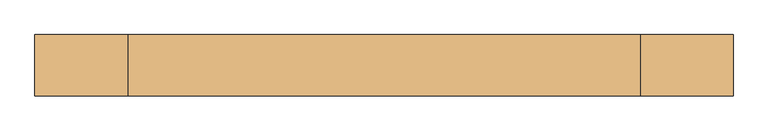
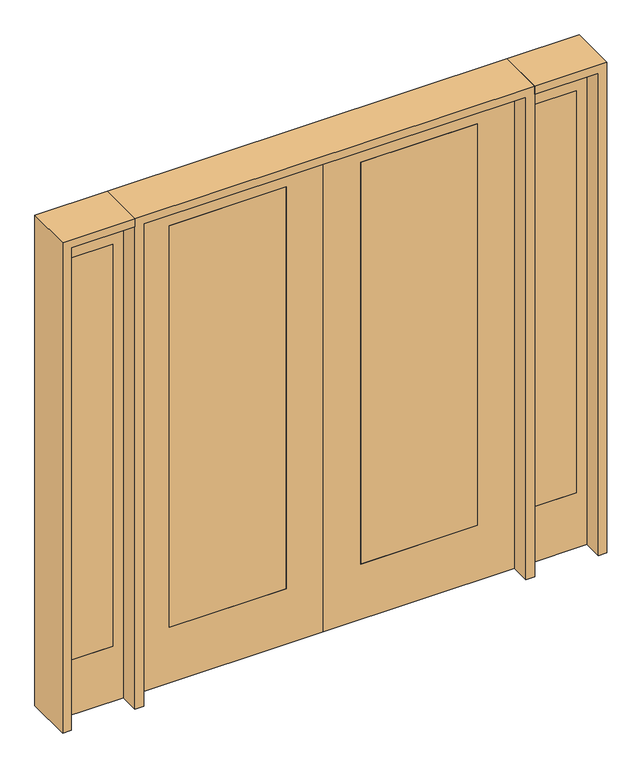
"""IFC4 building model written with IfcOpenShell, lengths in millimetres: door geometry."""

from ifc_helpers import new_model, si_unit, frame, origin, place, context, project, spatial, polyline, outline, extrude, source, transform, mapped, element, save


def door_235b20d6(model_context):
    return source(origin(), model_context, "Body", "SweptSolid", [
        extrude(outline(polyline([(1209.675, 20.6375), (1209.675, -20.6375), (1006.475, -20.6375), (1006.475, 20.6375), (1209.675, 20.6375)])), frame((0.0, 0.0, 279.4), z_axis=(0.0, 0.0, 1.0), x_axis=(1.0, 0.0, 0.0)), (0.0, 0.0, 1.0), 2032.0),
        extrude(outline(polyline([(0.0, 955.675), (0.0, 1260.475), (2438.4, 1260.475), (2438.4, 955.675), (0.0, 955.675)]), holes=[polyline([(2311.4, 1209.675), (279.4, 1209.675), (279.4, 1006.475), (2311.4, 1006.475), (2311.4, 1209.675)])]), frame((0.0, -20.6375, 0.0), z_axis=(0.0, 1.0, 0.0), x_axis=(0.0, 0.0, 1.0)), (0.0, 0.0, 1.0), 41.275),
        extrude(outline(polyline([(-1006.475, 20.6375), (-1006.475, -20.6375), (-1209.675, -20.6375), (-1209.675, 20.6375), (-1006.475, 20.6375)])), frame((0.0, 0.0, 279.4), z_axis=(0.0, 0.0, 1.0), x_axis=(1.0, 0.0, 0.0)), (0.0, 0.0, 1.0), 2032.0),
        extrude(outline(polyline([(0.0, -1260.475), (0.0, -955.675), (2438.4, -955.675), (2438.4, -1260.475), (0.0, -1260.475)]), holes=[polyline([(2311.4, -1006.475), (279.4, -1006.475), (279.4, -1209.675), (2311.4, -1209.675), (2311.4, -1006.475)])]), frame((0.0, -20.6375, 0.0), z_axis=(0.0, 1.0, 0.0), x_axis=(0.0, 0.0, 1.0)), (0.0, 0.0, 1.0), 41.275),
        extrude(outline(polyline([(2438.4, 914.4), (2438.4, 0.0), (0.0, 0.0), (0.0, 914.4), (2438.4, 914.4)]), holes=[polyline([(279.4, 736.6), (279.4, 177.8), (2311.4, 177.8), (2311.4, 736.6), (279.4, 736.6)])]), frame((0.0, -20.6375, 0.0), z_axis=(0.0, 1.0, 0.0), x_axis=(0.0, 0.0, 1.0)), (0.0, 0.0, 1.0), 41.275),
        extrude(outline(polyline([(177.8, 20.6375), (736.6, 20.6375), (736.6, -20.6375), (177.8, -20.6375), (177.8, 20.6375)])), frame((0.0, 0.0, 279.4), z_axis=(0.0, 0.0, 1.0), x_axis=(1.0, 0.0, 0.0)), (0.0, 0.0, 1.0), 2032.0),
        extrude(outline(polyline([(2438.4, -914.4), (0.0, -914.4), (0.0, 0.0), (2438.4, 0.0), (2438.4, -914.4)]), holes=[polyline([(279.4, -736.6), (2311.4, -736.6), (2311.4, -177.8), (279.4, -177.8), (279.4, -736.6)])]), frame((0.0, -20.6375, 0.0), z_axis=(0.0, 1.0, 0.0), x_axis=(0.0, 0.0, 1.0)), (0.0, 0.0, 1.0), 41.275),
        extrude(outline(polyline([(-177.8, 20.6375), (-177.8, -20.6375), (-736.6, -20.6375), (-736.6, 20.6375), (-177.8, 20.6375)])), frame((0.0, 0.0, 279.4), z_axis=(0.0, 0.0, 1.0), x_axis=(1.0, 0.0, 0.0)), (0.0, 0.0, 1.0), 2032.0),
        extrude(outline(polyline([(2479.675, -955.675), (2479.675, -1301.75), (0.0, -1301.75), (0.0, -1260.475), (2438.4, -1260.475), (2438.4, -955.675), (2479.675, -955.675)])), frame((0.0, -114.3, 0.0), z_axis=(0.0, 1.0, 0.0), x_axis=(0.0, 0.0, 1.0)), (0.0, 0.0, 1.0), 228.6),
        extrude(outline(polyline([(2479.675, -955.675), (0.0, -955.675), (0.0, -914.4), (2438.4, -914.4), (2438.4, 914.4), (0.0, 914.4), (0.0, 955.675), (2479.675, 955.675), (2479.675, -955.675)])), frame((0.0, -114.3, 0.0), z_axis=(0.0, 1.0, 0.0), x_axis=(0.0, 0.0, 1.0)), (0.0, 0.0, 1.0), 228.6),
        extrude(outline(polyline([(0.0, 1301.75), (2479.675, 1301.75), (2479.675, 955.675), (2438.4, 955.675), (2438.4, 1260.475), (0.0, 1260.475), (0.0, 1301.75)])), frame((0.0, -114.3, 0.0), z_axis=(0.0, 1.0, 0.0), x_axis=(0.0, 0.0, 1.0)), (0.0, 0.0, 1.0), 228.6),
    ])


if __name__ == "__main__":
    model = new_model("IFC4")
    model_context = context("Model", 3, world=origin())
    ifc_project = project(units=[si_unit("LENGTHUNIT", "METRE", prefix="MILLI")], contexts=[model_context])
    site = spatial("IfcSite", under=ifc_project)
    building = spatial("IfcBuilding", under=site)
    placement = place(None, origin())
    door_shape = door_235b20d6(model_context)
    element("IfcDoor", 1, at=placement, inside=building, context=model_context, shape_type="MappedRepresentation", body=[
        mapped(door_shape, transform((0.0, 0.0, 0.0), x_axis=(1.0, 0.0, 0.0), y_axis=(0.0, 1.0, 0.0), z_axis=(0.0, 0.0, 1.0))),
    ])
    save(model, "model.ifc")
